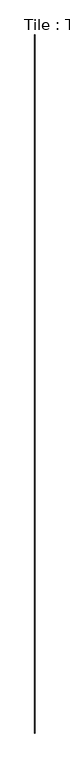
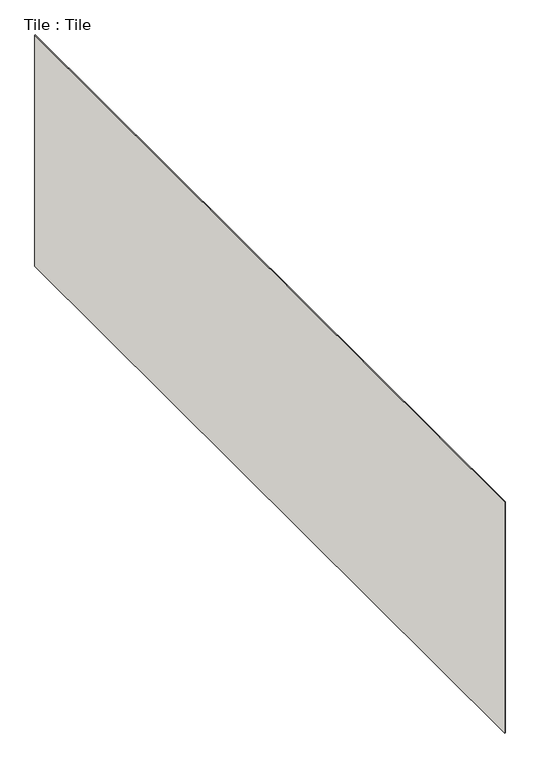
"""IFC4 building model written with IfcOpenShell, lengths in millimetres: wall geometry, Tile : Tile."""

from ifc_helpers import new_model, si_unit, origin, origin_with_axes, place, context, project, spatial, polyline, outline, extrude, source, transform, mapped, element, save


def tile_tile_d550e928(model_context):
    return source(origin(), model_context, "Body", "SweptSolid", [
        extrude(outline(polyline([(8601.7652471, 13182.5424197), (8601.7652471, 3016.1924197), (8595.4152471, 3016.1924197), (8595.4152471, 13182.5424197), (8601.7652471, 13182.5424197)])), origin_with_axes(), (0.0, 0.0, 1.0), 3048.0),
    ])


if __name__ == "__main__":
    model = new_model("IFC4")
    model_context = context("Model", 3, world=origin())
    ifc_project = project(units=[si_unit("LENGTHUNIT", "METRE", prefix="MILLI")], contexts=[model_context])
    site = spatial("IfcSite", under=ifc_project)
    building = spatial("IfcBuilding", under=site)
    placement = place(None, origin())
    tile_tile_shape = tile_tile_d550e928(model_context)
    element("IfcWall", 1, ObjectType="Tile : Tile", at=placement, inside=building, context=model_context, shape_type="MappedRepresentation", body=[
        mapped(tile_tile_shape, transform((0.0, 0.0, 0.0), x_axis=(1.0, 0.0, 0.0), y_axis=(0.0, 1.0, 0.0), z_axis=(0.0, 0.0, 1.0))),
    ])
    save(model, "model.ifc")
